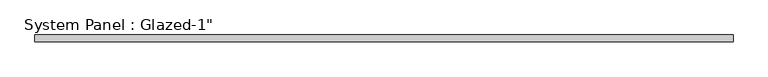
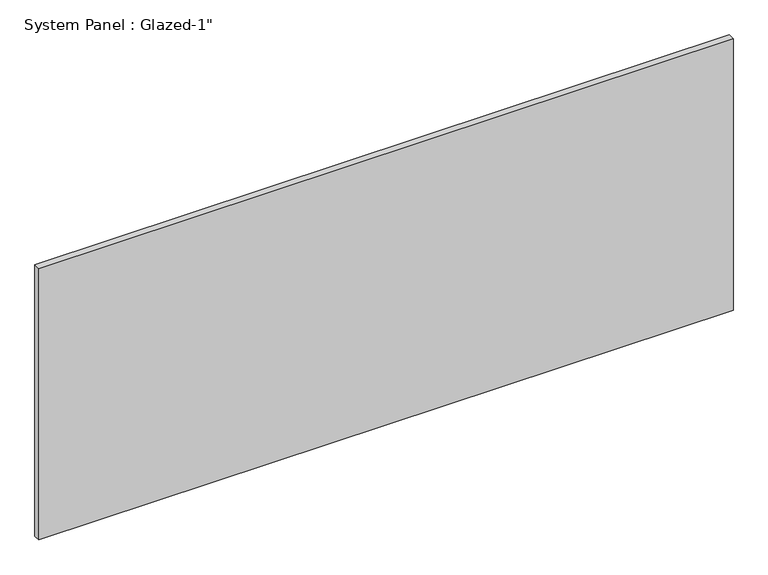
"""IFC4 building model written with IfcOpenShell, lengths in millimetres: plate geometry."""

from ifc_helpers import new_model, si_unit, origin, origin_with_axes, place, context, project, spatial, polyline, outline, extrude, source, transform, mapped, element, save


def plate_d10b25e8(model_context):
    return source(origin(), model_context, "Body", "SweptSolid", [
        extrude(outline(polyline([(1289.05, 25.4), (-1289.05, 25.4), (-1289.05, 50.8), (1289.05, 50.8), (1289.05, 25.4)])), origin_with_axes(), (0.0, 0.0, 1.0), 1064.8893215),
    ])


if __name__ == "__main__":
    model = new_model("IFC4")
    model_context = context("Model", 3, world=origin())
    ifc_project = project(units=[si_unit("LENGTHUNIT", "METRE", prefix="MILLI")], contexts=[model_context])
    site = spatial("IfcSite", under=ifc_project)
    building = spatial("IfcBuilding", under=site)
    placement = place(None, origin())
    plate_shape = plate_d10b25e8(model_context)
    element("IfcPlate", 1, ObjectType="System Panel : Glazed-1\"", at=placement, inside=building, context=model_context, shape_type="MappedRepresentation", body=[
        mapped(plate_shape, transform((0.0, 0.0, 0.0), x_axis=(1.0, 0.0, 0.0), y_axis=(0.0, 1.0, 0.0), z_axis=(0.0, 0.0, 1.0))),
    ])
    save(model, "model.ifc")
